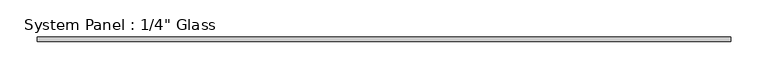
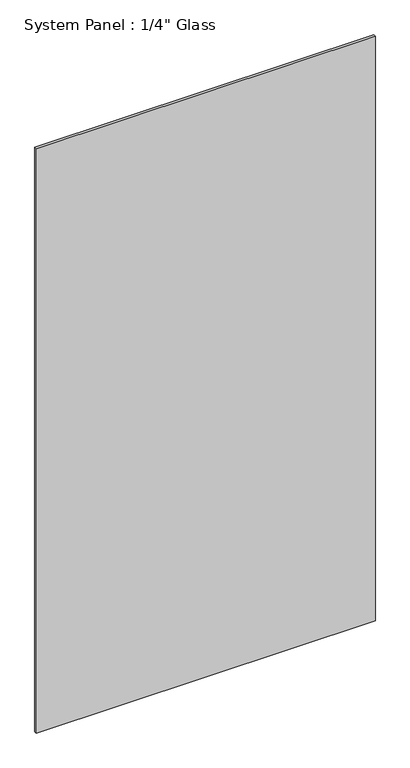
"""IFC4 building model written with IfcOpenShell, lengths in millimetres: plate geometry."""

from ifc_helpers import new_model, si_unit, origin, origin_with_axes, place, context, project, spatial, polyline, outline, extrude, source, transform, mapped, element, save


def plate_d4f8000b(model_context):
    return source(origin(), model_context, "Body", "SweptSolid", [
        extrude(outline(polyline([(465.4525946, -3.175), (-465.4525946, -3.175), (-465.4525946, 3.175), (465.4525946, 3.175), (465.4525946, -3.175)])), origin_with_axes(), (0.0, 0.0, 1.0), 1695.45),
    ])


if __name__ == "__main__":
    model = new_model("IFC4")
    model_context = context("Model", 3, world=origin())
    ifc_project = project(units=[si_unit("LENGTHUNIT", "METRE", prefix="MILLI")], contexts=[model_context])
    site = spatial("IfcSite", under=ifc_project)
    building = spatial("IfcBuilding", under=site)
    placement = place(None, origin())
    plate_shape = plate_d4f8000b(model_context)
    element("IfcPlate", 1, ObjectType="System Panel : 1/4\" Glass", at=placement, inside=building, context=model_context, shape_type="MappedRepresentation", body=[
        mapped(plate_shape, transform((0.0, 0.0, 0.0), x_axis=(1.0, 0.0, 0.0), y_axis=(0.0, 1.0, 0.0), z_axis=(0.0, 0.0, 1.0))),
    ])
    save(model, "model.ifc")
